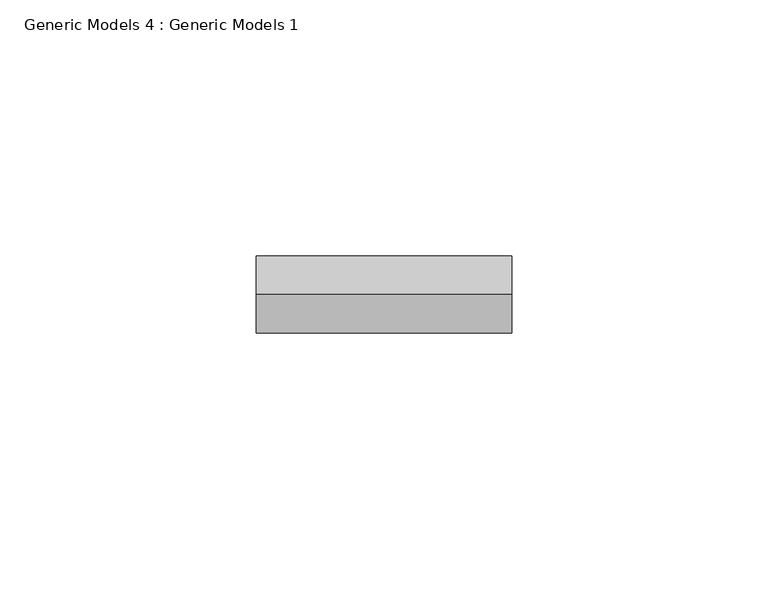
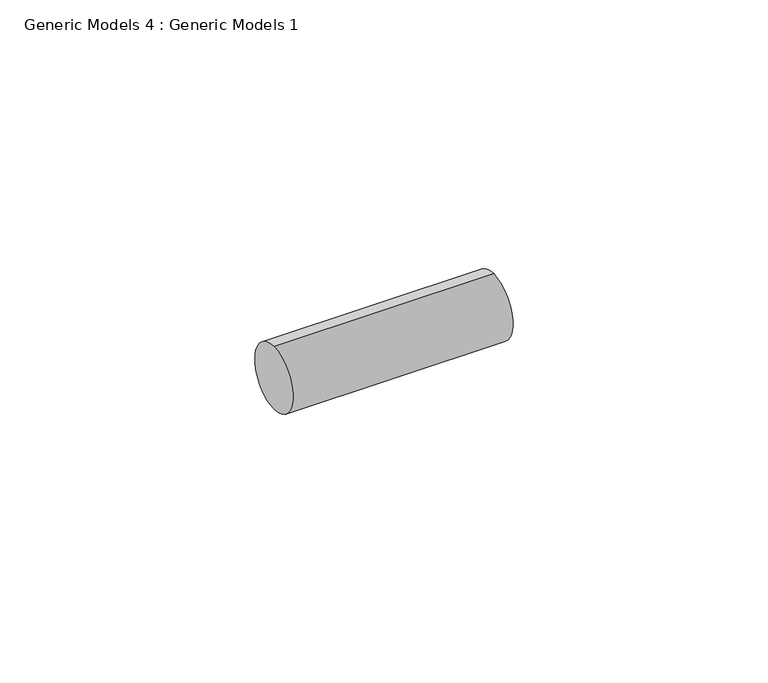
"""IFC4 building model written with IfcOpenShell, lengths in millimetres: proxy geometry, Generic Models 4 : Generic Models 1."""

import ifcopenshell
import ifcopenshell.guid

model = None  # the IFC model being written
_history = None  # IfcOwnerHistory: only IFC2X3 demands one
_inside = {}  # id of a spatial element -> (the spatial element, [elements in it])
_under = {}  # id of a project, library or spatial element -> (it, [spatial elements below it])
_declared = {}  # id of a project -> (the project, [libraries it declares])
_typed = {}  # id of a type object -> (the type object, [elements of that type])
_made_of = {}  # id of a material, layer set ... -> (it, [elements and type objects made of it])


def new_model(schema):
    """Start an empty IFC model of exactly this schema.

    Asked for "IFC4X3", IfcOpenShell would pick the latest addendum, in which some entities
    have other attributes; the version numbers below select the first issue.
    IFC2X3 requires an IfcOwnerHistory on every rooted entity: one is made here for all.
    """
    global model, _history
    if schema == "IFC4X3":
        model = ifcopenshell.file(schema_version=(4, 3, 0, 0))
    else:
        model = ifcopenshell.file(schema=schema)
    _inside.clear()
    _under.clear()
    _declared.clear()
    _typed.clear()
    _made_of.clear()
    _history = None
    if model.schema == "IFC2X3":
        org = make("IfcOrganization", Name="unknown")
        user = make(
            "IfcPersonAndOrganization",
            ThePerson=make("IfcPerson", FamilyName="unknown"),
            TheOrganization=org,
        )
        app = make(
            "IfcApplication",
            ApplicationDeveloper=org,
            Version="unknown",
            ApplicationFullName="unknown",
            ApplicationIdentifier="unknown",
        )
        _history = make(
            "IfcOwnerHistory",
            OwningUser=user,
            OwningApplication=app,
            ChangeAction="ADDED",
            CreationDate=0,
        )
    return model


def make(cls, **values):
    """One entity of the class cls with the attributes given. An attribute that is None is left unset."""
    return model.create_entity(
        cls, **{name: value for name, value in values.items() if value is not None}
    )


def rooted(cls, **values):
    """An entity with a GlobalId (a new one), such as an element, a storey or a relation."""
    return make(cls, GlobalId=ifcopenshell.guid.new(), OwnerHistory=_history, **values)


def si_unit(unit_type, name, prefix=None):
    """IfcSIUnit, for example si_unit("LENGTHUNIT", "METRE", prefix="MILLI")."""
    return make("IfcSIUnit", UnitType=unit_type, Prefix=prefix, Name=name)


def assignment(units):
    """IfcUnitAssignment: the units of a project."""
    return None if units is None else make("IfcUnitAssignment", Units=units)


def point(xyz):
    """IfcCartesianPoint."""
    return None if xyz is None else make("IfcCartesianPoint", Coordinates=xyz)


def direction(xyz):
    """IfcDirection."""
    return None if xyz is None else make("IfcDirection", DirectionRatios=xyz)


def frame(location, z_axis=None, x_axis=None):
    """IfcAxis2Placement3D, a coordinate frame: its origin and axes. An axis left out is left unset."""
    return make(
        "IfcAxis2Placement3D",
        Location=point(location),
        Axis=direction(z_axis),
        RefDirection=direction(x_axis),
    )


def frame_2d(location, x_axis=None):
    """IfcAxis2Placement2D, a coordinate frame in the plane: its origin and x axis."""
    return make(
        "IfcAxis2Placement2D", Location=point(location), RefDirection=direction(x_axis)
    )


def origin():
    """The frame at (0, 0, 0) with its axes left unset."""
    return frame((0.0, 0.0, 0.0))


def place(relative_to, where):
    """IfcLocalPlacement: puts the frame where relative to a parent placement (None: the world)."""
    return make(
        "IfcLocalPlacement", PlacementRelTo=relative_to, RelativePlacement=where
    )


def context(
    kind, dimensions, precision=None, world=None, true_north=None, identifier=None
):
    """IfcGeometricRepresentationContext, for example the 3D "Model" context."""
    return make(
        "IfcGeometricRepresentationContext",
        ContextIdentifier=identifier,
        ContextType=kind,
        CoordinateSpaceDimension=dimensions,
        Precision=precision,
        WorldCoordinateSystem=world,
        TrueNorth=true_north,
    )


def project(units=None, contexts=None):
    """IfcProject with its units and contexts."""
    return rooted(
        "IfcProject",
        Name="project",
        RepresentationContexts=contexts,
        UnitsInContext=assignment(units),
    )


def spatial(cls, under=None, at=None, **own):
    """A site, building, storey or space (cls), placed at a placement, below another one or the project."""
    s = rooted(cls, ObjectPlacement=at, **own)
    if under is not None:
        _under.setdefault(under.id(), (under, []))[1].append(s)
    return s


def circle_curve(where, radius):
    """IfcCircle in the frame where."""
    return make("IfcCircle", Position=where, Radius=radius)


def trimmed(basis, trim1, trim2, sense, master):
    """IfcTrimmedCurve: the piece of a basis curve between two trims."""
    return make(
        "IfcTrimmedCurve",
        BasisCurve=basis,
        Trim1=trim1,
        Trim2=trim2,
        SenseAgreement=sense,
        MasterRepresentation=master,
    )


def segment(curve, same_sense, transition):
    """IfcCompositeCurveSegment."""
    return make(
        "IfcCompositeCurveSegment",
        Transition=transition,
        SameSense=same_sense,
        ParentCurve=curve,
    )


def composite_curve(segments, self_intersect=None):
    """IfcCompositeCurve: segments joined end to end."""
    return make("IfcCompositeCurve", Segments=segments, SelfIntersect=self_intersect)


def outline(outer, holes=None, kind="AREA"):
    """IfcArbitraryClosedProfileDef: a profile drawn as a closed curve; with holes, ...WithVoids."""
    if holes is None:
        return make("IfcArbitraryClosedProfileDef", ProfileType=kind, OuterCurve=outer)
    return make(
        "IfcArbitraryProfileDefWithVoids",
        ProfileType=kind,
        OuterCurve=outer,
        InnerCurves=holes,
    )


def extrude(swept, where, along, depth):
    """IfcExtrudedAreaSolid: the profile swept, set in the frame where, extruded along a direction by depth."""
    return make(
        "IfcExtrudedAreaSolid",
        SweptArea=swept,
        Position=where,
        ExtrudedDirection=direction(along),
        Depth=depth,
    )


def shape(context_of_items, identifier, shape_type, items):
    """IfcShapeRepresentation: the items that make up one representation, for example the "Body"."""
    return make(
        "IfcShapeRepresentation",
        ContextOfItems=context_of_items,
        RepresentationIdentifier=identifier,
        RepresentationType=shape_type,
        Items=items,
    )


def source(mapping_origin, context_of_items, identifier, shape_type, items):
    """IfcRepresentationMap: a shape defined once, which mapped items show again and again."""
    return make(
        "IfcRepresentationMap",
        MappingOrigin=mapping_origin,
        MappedRepresentation=shape(context_of_items, identifier, shape_type, items),
    )


def transform(
    local_origin,
    x_axis=None,
    y_axis=None,
    z_axis=None,
    scale=None,
    scale2=None,
    scale3=None,
    uniform=True,
):
    """IfcCartesianTransformationOperator3D, or its non-uniform kind. x_axis, y_axis, z_axis: its Axis1, 2, 3."""
    if uniform:
        return make(
            "IfcCartesianTransformationOperator3D",
            Axis1=direction(x_axis),
            Axis2=direction(y_axis),
            LocalOrigin=point(local_origin),
            Scale=scale,
            Axis3=direction(z_axis),
        )
    return make(
        "IfcCartesianTransformationOperator3DnonUniform",
        Axis1=direction(x_axis),
        Axis2=direction(y_axis),
        LocalOrigin=point(local_origin),
        Scale=scale,
        Axis3=direction(z_axis),
        Scale2=scale2,
        Scale3=scale3,
    )


def mapped(mapping_source, mapping_target):
    """IfcMappedItem: shows the shape of a source again, moved by a transform."""
    return make(
        "IfcMappedItem", MappingSource=mapping_source, MappingTarget=mapping_target
    )


def made_of(thing, what):
    """Note that an element or type object is made of a material, layer set ...; save() writes the relation."""
    if what is not None:
        _made_of.setdefault(what.id(), (what, []))[1].append(thing)
    return thing


def element(
    cls,
    number,
    at=None,
    inside=None,
    cuts=None,
    type_object=None,
    material=None,
    context=None,
    identifier="Body",
    shape_type=None,
    held_by="IfcProductDefinitionShape",
    body=None,
    shapes=None,
    **own,
):
    """One element of the class cls, such as IfcWall. Its Tag is "e" and its number.

    at: its placement. inside: the storey or other place that contains it. cuts: it is an
    opening in that element (IfcRelVoidsElement). A single representation is given by context,
    identifier, shape_type and body (its items); several are given by shapes. held_by: the class
    of the entity that holds the representations. save() writes the other relations.
    """
    e = rooted(cls, Tag="e%d" % number, ObjectPlacement=at, **own)
    if body is not None:
        shapes = [shape(context, identifier, shape_type, body)]
    if shapes is not None:
        e.Representation = make(held_by, Representations=shapes)
    if inside is not None:
        _inside.setdefault(inside.id(), (inside, []))[1].append(e)
    if cuts is not None:
        rooted(
            "IfcRelVoidsElement", RelatingBuildingElement=cuts, RelatedOpeningElement=e
        )
    if type_object is not None:
        _typed.setdefault(type_object.id(), (type_object, []))[1].append(e)
    return made_of(e, material)


def aggregate(whole, parts):
    """IfcRelAggregates: a whole, such as a stair, and the parts it consists of."""
    return rooted("IfcRelAggregates", RelatingObject=whole, RelatedObjects=parts)


def save(model, path):
    """Write the relations noted so far, then the file.

    IfcRelAggregates (storeys below a building ...), IfcRelContainedInSpatialStructure (elements
    in a storey), IfcRelDefinesByType, IfcRelAssociatesMaterial and IfcRelDeclares: one each for
    every whole, place, type object, material and project.
    """
    for whole, parts in _under.values():
        aggregate(whole, parts)
    for where, things in _inside.values():
        rooted(
            "IfcRelContainedInSpatialStructure",
            RelatedElements=things,
            RelatingStructure=where,
        )
    for kind, things in _typed.values():
        rooted("IfcRelDefinesByType", RelatedObjects=things, RelatingType=kind)
    for what, things in _made_of.values():
        rooted("IfcRelAssociatesMaterial", RelatedObjects=things, RelatingMaterial=what)
    for by, libraries in _declared.values():
        rooted("IfcRelDeclares", RelatingContext=by, RelatedDefinitions=libraries)
    model.write(path)


def generic_models_4_generic_models_1_fe0ee496(model_context):
    return source(origin(), model_context, "Body", "SweptSolid", [
        extrude(outline(composite_curve([segment(trimmed(circle_curve(frame_2d((400.3057469, -814.107223)), 7.5), [point((400.3057469, -821.607223))], [point((400.3057469, -806.607223))], False, "CARTESIAN"), True, "CONTINUOUS"), segment(trimmed(circle_curve(frame_2d((400.3057469, -814.107223)), 7.5), [point((400.3057469, -806.607223))], [point((400.3057469, -821.607223))], False, "CARTESIAN"), True, "CONTINUOUS")], self_intersect=False)), frame((1514.5391659, 0.0, 0.0), z_axis=(1.0, 0.0, 0.0), x_axis=(0.0, 1.0, 0.0)), (0.0, 0.0, 1.0), 49.8000142),
    ])


if __name__ == "__main__":
    model = new_model("IFC4")
    model_context = context("Model", 3, world=origin())
    ifc_project = project(units=[si_unit("LENGTHUNIT", "METRE", prefix="MILLI")], contexts=[model_context])
    site = spatial("IfcSite", under=ifc_project)
    building = spatial("IfcBuilding", under=site)
    placement = place(None, origin())
    generic_models_4_generic_models_1_shape = generic_models_4_generic_models_1_fe0ee496(model_context)
    element("IfcBuildingElementProxy", 1, Name="Generic Models 4 : Generic Models 1", ObjectType="Generic Models 4 : Generic Models 1", at=placement, inside=building, context=model_context, shape_type="MappedRepresentation", body=[
        mapped(generic_models_4_generic_models_1_shape, transform((0.0, 0.0, 0.0), x_axis=(1.0, 0.0, 0.0), y_axis=(0.0, 1.0, 0.0), z_axis=(0.0, 0.0, 1.0))),
    ])
    save(model, "model.ifc")
